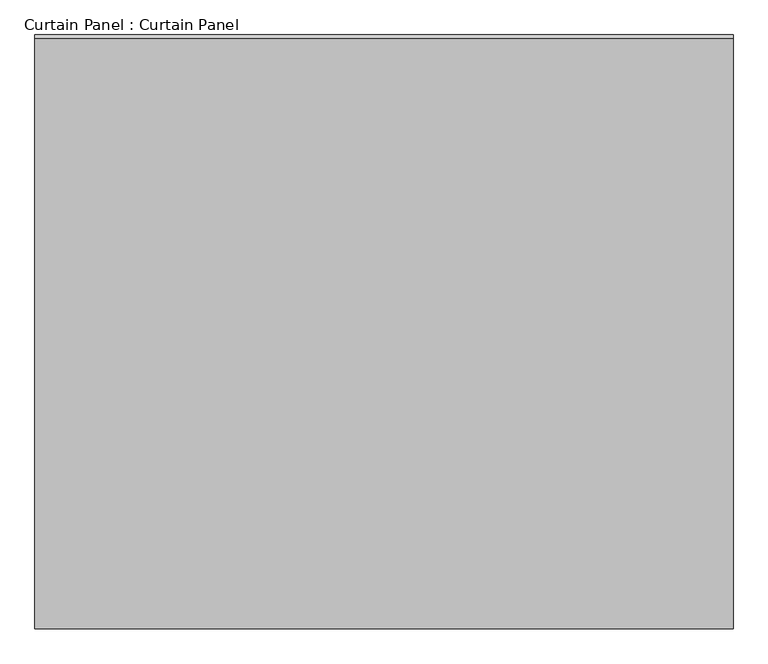
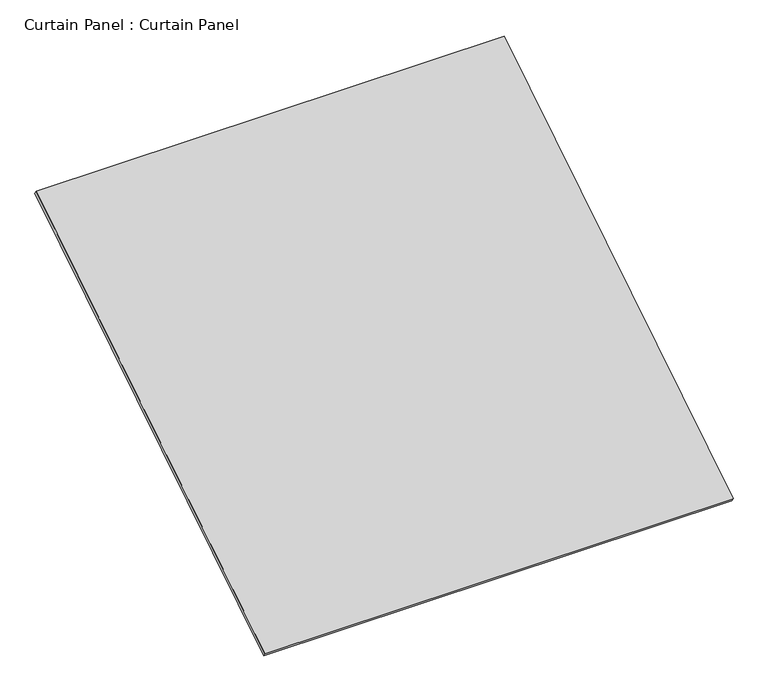
"""IFC4 building model written with IfcOpenShell, lengths in millimetres: plate geometry, Curtain Panel : Curtain Panel."""

from ifc_helpers import new_model, si_unit, frame, origin, place, context, project, spatial, polyline, outline, extrude, source, transform, mapped, element, save


def curtain_panel_curtain_panel_cede23cd(model_context):
    return source(origin(), model_context, "Body", "SweptSolid", [
        extrude(outline(polyline([(-63.5, 0.0), (-63.5, -2917.6753009), (-2984.6077868, -2917.6753009), (-2984.6077868, 0.0), (-63.5, 0.0)])), frame((-114622.6430895, -9007.2738223, 3990.3210264), z_axis=(0.0, -0.5318918435658209, 0.8468122972348432), x_axis=(-1.0, 0.0, 0.0)), (0.0, 0.0, 1.0), 25.4),
    ])


if __name__ == "__main__":
    model = new_model("IFC4")
    model_context = context("Model", 3, world=origin())
    ifc_project = project(units=[si_unit("LENGTHUNIT", "METRE", prefix="MILLI")], contexts=[model_context])
    site = spatial("IfcSite", under=ifc_project)
    building = spatial("IfcBuilding", under=site)
    placement = place(None, origin())
    curtain_panel_curtain_panel_shape = curtain_panel_curtain_panel_cede23cd(model_context)
    element("IfcPlate", 1, ObjectType="Curtain Panel : Curtain Panel", at=placement, inside=building, context=model_context, shape_type="MappedRepresentation", body=[
        mapped(curtain_panel_curtain_panel_shape, transform((0.0, 0.0, 0.0), x_axis=(1.0, 0.0, 0.0), y_axis=(0.0, 1.0, 0.0), z_axis=(0.0, 0.0, 1.0))),
    ])
    save(model, "model.ifc")
